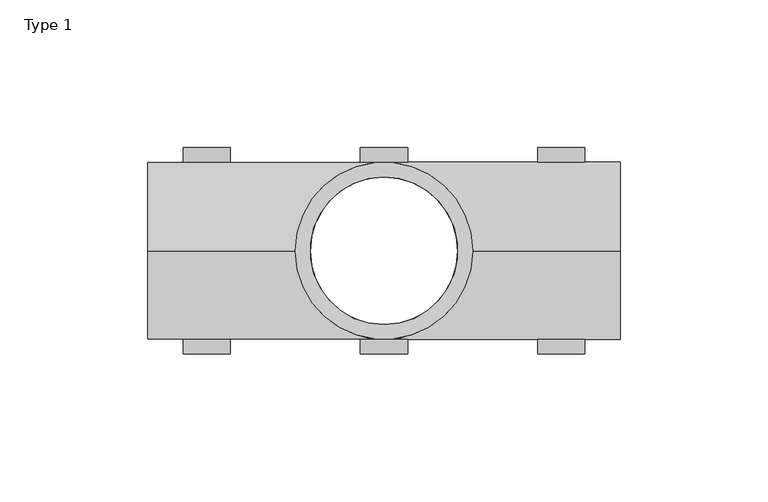
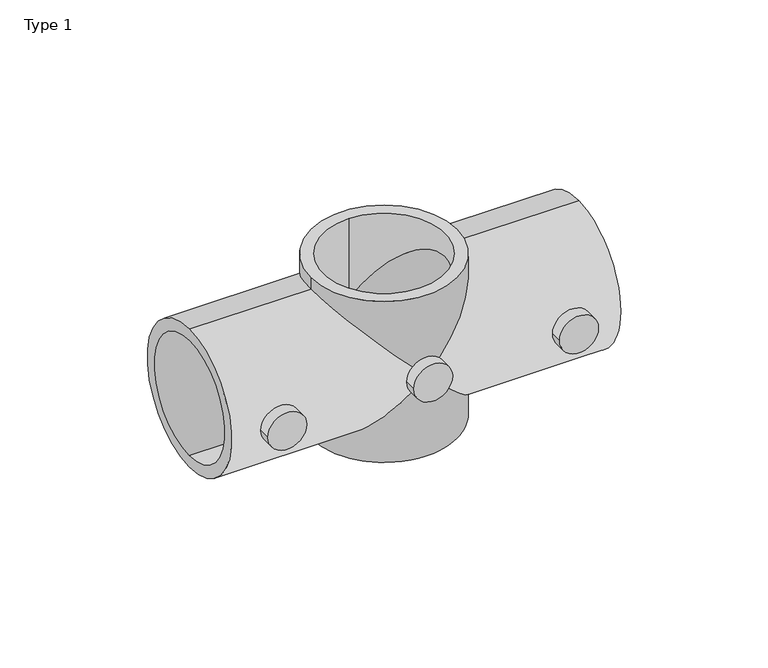
"""IFC4 building model written with IfcOpenShell, lengths in millimetres: proxy geometry, Type 1."""

import ifcopenshell
import ifcopenshell.guid

model = None  # the IFC model being written
_history = None  # IfcOwnerHistory: only IFC2X3 demands one
_inside = {}  # id of a spatial element -> (the spatial element, [elements in it])
_under = {}  # id of a project, library or spatial element -> (it, [spatial elements below it])
_declared = {}  # id of a project -> (the project, [libraries it declares])
_typed = {}  # id of a type object -> (the type object, [elements of that type])
_made_of = {}  # id of a material, layer set ... -> (it, [elements and type objects made of it])


def new_model(schema):
    """Start an empty IFC model of exactly this schema.

    Asked for "IFC4X3", IfcOpenShell would pick the latest addendum, in which some entities
    have other attributes; the version numbers below select the first issue.
    IFC2X3 requires an IfcOwnerHistory on every rooted entity: one is made here for all.
    """
    global model, _history
    if schema == "IFC4X3":
        model = ifcopenshell.file(schema_version=(4, 3, 0, 0))
    else:
        model = ifcopenshell.file(schema=schema)
    _inside.clear()
    _under.clear()
    _declared.clear()
    _typed.clear()
    _made_of.clear()
    _history = None
    if model.schema == "IFC2X3":
        org = make("IfcOrganization", Name="unknown")
        user = make(
            "IfcPersonAndOrganization",
            ThePerson=make("IfcPerson", FamilyName="unknown"),
            TheOrganization=org,
        )
        app = make(
            "IfcApplication",
            ApplicationDeveloper=org,
            Version="unknown",
            ApplicationFullName="unknown",
            ApplicationIdentifier="unknown",
        )
        _history = make(
            "IfcOwnerHistory",
            OwningUser=user,
            OwningApplication=app,
            ChangeAction="ADDED",
            CreationDate=0,
        )
    return model


def make(cls, **values):
    """One entity of the class cls with the attributes given. An attribute that is None is left unset."""
    return model.create_entity(
        cls, **{name: value for name, value in values.items() if value is not None}
    )


def rooted(cls, **values):
    """An entity with a GlobalId (a new one), such as an element, a storey or a relation."""
    return make(cls, GlobalId=ifcopenshell.guid.new(), OwnerHistory=_history, **values)


def si_unit(unit_type, name, prefix=None):
    """IfcSIUnit, for example si_unit("LENGTHUNIT", "METRE", prefix="MILLI")."""
    return make("IfcSIUnit", UnitType=unit_type, Prefix=prefix, Name=name)


def assignment(units):
    """IfcUnitAssignment: the units of a project."""
    return None if units is None else make("IfcUnitAssignment", Units=units)


def point(xyz):
    """IfcCartesianPoint."""
    return None if xyz is None else make("IfcCartesianPoint", Coordinates=xyz)


def direction(xyz):
    """IfcDirection."""
    return None if xyz is None else make("IfcDirection", DirectionRatios=xyz)


def frame(location, z_axis=None, x_axis=None):
    """IfcAxis2Placement3D, a coordinate frame: its origin and axes. An axis left out is left unset."""
    return make(
        "IfcAxis2Placement3D",
        Location=point(location),
        Axis=direction(z_axis),
        RefDirection=direction(x_axis),
    )


def frame_2d(location, x_axis=None):
    """IfcAxis2Placement2D, a coordinate frame in the plane: its origin and x axis."""
    return make(
        "IfcAxis2Placement2D", Location=point(location), RefDirection=direction(x_axis)
    )


def origin():
    """The frame at (0, 0, 0) with its axes left unset."""
    return frame((0.0, 0.0, 0.0))


def origin_with_axes():
    """The frame at (0, 0, 0) with the z axis (0, 0, 1) and the x axis (1, 0, 0) written out."""
    return frame((0.0, 0.0, 0.0), z_axis=(0.0, 0.0, 1.0), x_axis=(1.0, 0.0, 0.0))


def place(relative_to, where):
    """IfcLocalPlacement: puts the frame where relative to a parent placement (None: the world)."""
    return make(
        "IfcLocalPlacement", PlacementRelTo=relative_to, RelativePlacement=where
    )


def context(
    kind, dimensions, precision=None, world=None, true_north=None, identifier=None
):
    """IfcGeometricRepresentationContext, for example the 3D "Model" context."""
    return make(
        "IfcGeometricRepresentationContext",
        ContextIdentifier=identifier,
        ContextType=kind,
        CoordinateSpaceDimension=dimensions,
        Precision=precision,
        WorldCoordinateSystem=world,
        TrueNorth=true_north,
    )


def project(units=None, contexts=None):
    """IfcProject with its units and contexts."""
    return rooted(
        "IfcProject",
        Name="project",
        RepresentationContexts=contexts,
        UnitsInContext=assignment(units),
    )


def spatial(cls, under=None, at=None, **own):
    """A site, building, storey or space (cls), placed at a placement, below another one or the project."""
    s = rooted(cls, ObjectPlacement=at, **own)
    if under is not None:
        _under.setdefault(under.id(), (under, []))[1].append(s)
    return s


def polyline(points):
    """IfcPolyline through the points."""
    return make("IfcPolyline", Points=[point(p) for p in points])


def circle_curve(where, radius):
    """IfcCircle in the frame where."""
    return make("IfcCircle", Position=where, Radius=radius)


def ellipse_curve(where, semi_axis1, semi_axis2):
    """IfcEllipse in the frame where."""
    return make(
        "IfcEllipse", Position=where, SemiAxis1=semi_axis1, SemiAxis2=semi_axis2
    )


def trimmed(basis, trim1, trim2, sense, master):
    """IfcTrimmedCurve: the piece of a basis curve between two trims."""
    return make(
        "IfcTrimmedCurve",
        BasisCurve=basis,
        Trim1=trim1,
        Trim2=trim2,
        SenseAgreement=sense,
        MasterRepresentation=master,
    )


def segment(curve, same_sense, transition):
    """IfcCompositeCurveSegment."""
    return make(
        "IfcCompositeCurveSegment",
        Transition=transition,
        SameSense=same_sense,
        ParentCurve=curve,
    )


def composite_curve(segments, self_intersect=None):
    """IfcCompositeCurve: segments joined end to end."""
    return make("IfcCompositeCurve", Segments=segments, SelfIntersect=self_intersect)


def outline(outer, holes=None, kind="AREA"):
    """IfcArbitraryClosedProfileDef: a profile drawn as a closed curve; with holes, ...WithVoids."""
    if holes is None:
        return make("IfcArbitraryClosedProfileDef", ProfileType=kind, OuterCurve=outer)
    return make(
        "IfcArbitraryProfileDefWithVoids",
        ProfileType=kind,
        OuterCurve=outer,
        InnerCurves=holes,
    )


def extrude(swept, where, along, depth):
    """IfcExtrudedAreaSolid: the profile swept, set in the frame where, extruded along a direction by depth."""
    return make(
        "IfcExtrudedAreaSolid",
        SweptArea=swept,
        Position=where,
        ExtrudedDirection=direction(along),
        Depth=depth,
    )


def shape(context_of_items, identifier, shape_type, items):
    """IfcShapeRepresentation: the items that make up one representation, for example the "Body"."""
    return make(
        "IfcShapeRepresentation",
        ContextOfItems=context_of_items,
        RepresentationIdentifier=identifier,
        RepresentationType=shape_type,
        Items=items,
    )


def source(mapping_origin, context_of_items, identifier, shape_type, items):
    """IfcRepresentationMap: a shape defined once, which mapped items show again and again."""
    return make(
        "IfcRepresentationMap",
        MappingOrigin=mapping_origin,
        MappedRepresentation=shape(context_of_items, identifier, shape_type, items),
    )


def transform(
    local_origin,
    x_axis=None,
    y_axis=None,
    z_axis=None,
    scale=None,
    scale2=None,
    scale3=None,
    uniform=True,
):
    """IfcCartesianTransformationOperator3D, or its non-uniform kind. x_axis, y_axis, z_axis: its Axis1, 2, 3."""
    if uniform:
        return make(
            "IfcCartesianTransformationOperator3D",
            Axis1=direction(x_axis),
            Axis2=direction(y_axis),
            LocalOrigin=point(local_origin),
            Scale=scale,
            Axis3=direction(z_axis),
        )
    return make(
        "IfcCartesianTransformationOperator3DnonUniform",
        Axis1=direction(x_axis),
        Axis2=direction(y_axis),
        LocalOrigin=point(local_origin),
        Scale=scale,
        Axis3=direction(z_axis),
        Scale2=scale2,
        Scale3=scale3,
    )


def mapped(mapping_source, mapping_target):
    """IfcMappedItem: shows the shape of a source again, moved by a transform."""
    return make(
        "IfcMappedItem", MappingSource=mapping_source, MappingTarget=mapping_target
    )


def made_of(thing, what):
    """Note that an element or type object is made of a material, layer set ...; save() writes the relation."""
    if what is not None:
        _made_of.setdefault(what.id(), (what, []))[1].append(thing)
    return thing


def element(
    cls,
    number,
    at=None,
    inside=None,
    cuts=None,
    type_object=None,
    material=None,
    context=None,
    identifier="Body",
    shape_type=None,
    held_by="IfcProductDefinitionShape",
    body=None,
    shapes=None,
    **own,
):
    """One element of the class cls, such as IfcWall. Its Tag is "e" and its number.

    at: its placement. inside: the storey or other place that contains it. cuts: it is an
    opening in that element (IfcRelVoidsElement). A single representation is given by context,
    identifier, shape_type and body (its items); several are given by shapes. held_by: the class
    of the entity that holds the representations. save() writes the other relations.
    """
    e = rooted(cls, Tag="e%d" % number, ObjectPlacement=at, **own)
    if body is not None:
        shapes = [shape(context, identifier, shape_type, body)]
    if shapes is not None:
        e.Representation = make(held_by, Representations=shapes)
    if inside is not None:
        _inside.setdefault(inside.id(), (inside, []))[1].append(e)
    if cuts is not None:
        rooted(
            "IfcRelVoidsElement", RelatingBuildingElement=cuts, RelatedOpeningElement=e
        )
    if type_object is not None:
        _typed.setdefault(type_object.id(), (type_object, []))[1].append(e)
    return made_of(e, material)


def aggregate(whole, parts):
    """IfcRelAggregates: a whole, such as a stair, and the parts it consists of."""
    return rooted("IfcRelAggregates", RelatingObject=whole, RelatedObjects=parts)


def save(model, path):
    """Write the relations noted so far, then the file.

    IfcRelAggregates (storeys below a building ...), IfcRelContainedInSpatialStructure (elements
    in a storey), IfcRelDefinesByType, IfcRelAssociatesMaterial and IfcRelDeclares: one each for
    every whole, place, type object, material and project.
    """
    for whole, parts in _under.values():
        aggregate(whole, parts)
    for where, things in _inside.values():
        rooted(
            "IfcRelContainedInSpatialStructure",
            RelatedElements=things,
            RelatingStructure=where,
        )
    for kind, things in _typed.values():
        rooted("IfcRelDefinesByType", RelatedObjects=things, RelatingType=kind)
    for what, things in _made_of.values():
        rooted("IfcRelAssociatesMaterial", RelatedObjects=things, RelatingMaterial=what)
    for by, libraries in _declared.values():
        rooted("IfcRelDeclares", RelatingContext=by, RelatedDefinitions=libraries)
    model.write(path)


def plane_surface(at):
    """IfcPlane: the flat surface through the origin of the frame at, square to its z axis."""
    return make("IfcPlane", Position=at)


def cylinder_surface(at, radius):
    """IfcCylindricalSurface: all points at the distance radius from the z axis of the frame at."""
    return make("IfcCylindricalSurface", Position=at, Radius=radius)


def revolved_surface(curve, axis_point, axis_direction):
    """IfcSurfaceOfRevolution: the curve turned about the line through axis_point along axis_direction."""
    return make(
        "IfcSurfaceOfRevolution",
        SweptCurve=make("IfcArbitraryOpenProfileDef", ProfileType="CURVE", Curve=curve),
        AxisPosition=make("IfcAxis1Placement", Location=point(axis_point), Axis=direction(axis_direction)),
    )


def advanced_brep(points, edges, surfaces, faces):
    """IfcAdvancedBrep: a solid bounded by faces that lie on surfaces and meet in shared edges.

    An edge is (start, end): straight between two places in points (the first is 0);
    or (start, end, curve); or (start, end, curve, False) where it runs against its curve.
    A face is (place in surfaces, loops), or (place, loops, False) where it looks against
    its surface's normal. A loop lists edges by number (the first is 1), with a minus sign
    where the edge is run from its end to its start. The first loop is the outer one.
    """
    corners = [point(p) for p in points]
    vertices = [make("IfcVertexPoint", VertexGeometry=c) for c in corners]
    made = []
    for start, end, *more in edges:
        made.append(
            make(
                "IfcEdgeCurve",
                EdgeStart=vertices[start],
                EdgeEnd=vertices[end],
                EdgeGeometry=more[0] if more else make("IfcPolyline", Points=[corners[start], corners[end]]),
                SameSense=more[1] if len(more) > 1 else True,
            )
        )
    hull = []
    for where, loops, *sense in faces:
        bounds = []
        for j, loop in enumerate(loops):
            ring = [make("IfcOrientedEdge", EdgeElement=made[abs(k) - 1], Orientation=k > 0) for k in loop]
            bounds.append(
                make(
                    "IfcFaceOuterBound" if j == 0 else "IfcFaceBound",
                    Bound=make("IfcEdgeLoop", EdgeList=ring),
                    Orientation=True,
                )
            )
        hull.append(make("IfcAdvancedFace", Bounds=bounds, FaceSurface=surfaces[where], SameSense=sense[0] if sense else True))
    return make("IfcAdvancedBrep", Outer=make("IfcClosedShell", CfsFaces=hull))


def type_1_41d94430(model_context):
    return source(origin(), model_context, "Body", "SolidModel", [
        extrude(outline(composite_curve([segment(trimmed(circle_curve(frame_2d((35.0, 0.0)), 8.0), [point((35.0, -8.0))], [point((35.0, 8.0))], False, "CARTESIAN"), True, "CONTINUOUS"), segment(trimmed(circle_curve(frame_2d((35.0, 0.0)), 8.0), [point((35.0, 8.0))], [point((35.0, -8.0))], False, "CARTESIAN"), True, "CONTINUOUS")], self_intersect=False)), frame((0.0, 30.0, 0.0), z_axis=(0.0, 1.0, 0.0), x_axis=(0.0, 0.0, 1.0)), (0.0, 0.0, 1.0), 5.0),
        extrude(outline(composite_curve([segment(trimmed(circle_curve(frame_2d((35.0, 60.0)), 8.0), [point((35.0, 52.0))], [point((35.0, 68.0))], False, "CARTESIAN"), True, "CONTINUOUS"), segment(trimmed(circle_curve(frame_2d((35.0, 60.0)), 8.0), [point((35.0, 68.0))], [point((35.0, 52.0))], False, "CARTESIAN"), True, "CONTINUOUS")], self_intersect=False)), frame((0.0, 30.0, 0.0), z_axis=(0.0, 1.0, 0.0), x_axis=(0.0, 0.0, 1.0)), (0.0, 0.0, 1.0), 5.0),
        extrude(outline(composite_curve([segment(trimmed(circle_curve(frame_2d((35.0, -60.0)), 8.0), [point((35.0, -68.0))], [point((35.0, -52.0))], False, "CARTESIAN"), True, "CONTINUOUS"), segment(trimmed(circle_curve(frame_2d((35.0, -60.0)), 8.0), [point((35.0, -52.0))], [point((35.0, -68.0))], False, "CARTESIAN"), True, "CONTINUOUS")], self_intersect=False)), frame((0.0, 30.0, 0.0), z_axis=(0.0, 1.0, 0.0), x_axis=(0.0, 0.0, 1.0)), (0.0, 0.0, 1.0), 5.0),
        extrude(outline(composite_curve([segment(trimmed(circle_curve(frame_2d((35.0, -60.0)), 8.0), [point((35.0, -68.0))], [point((35.0, -52.0))], False, "CARTESIAN"), True, "CONTINUOUS"), segment(trimmed(circle_curve(frame_2d((35.0, -60.0)), 8.0), [point((35.0, -52.0))], [point((35.0, -68.0))], False, "CARTESIAN"), True, "CONTINUOUS")], self_intersect=False)), frame((0.0, -35.0, 0.0), z_axis=(0.0, 1.0, 0.0), x_axis=(0.0, 0.0, 1.0)), (0.0, 0.0, 1.0), 5.0),
        extrude(outline(composite_curve([segment(trimmed(circle_curve(frame_2d((35.0, 0.0)), 8.0), [point((35.0, -8.0))], [point((35.0, 8.0))], False, "CARTESIAN"), True, "CONTINUOUS"), segment(trimmed(circle_curve(frame_2d((35.0, 0.0)), 8.0), [point((35.0, 8.0))], [point((35.0, -8.0))], False, "CARTESIAN"), True, "CONTINUOUS")], self_intersect=False)), frame((0.0, -35.0, 0.0), z_axis=(0.0, 1.0, 0.0), x_axis=(0.0, 0.0, 1.0)), (0.0, 0.0, 1.0), 5.0),
        extrude(outline(composite_curve([segment(trimmed(circle_curve(frame_2d((35.0, 60.0)), 8.0), [point((35.0, 52.0))], [point((35.0, 68.0))], False, "CARTESIAN"), True, "CONTINUOUS"), segment(trimmed(circle_curve(frame_2d((35.0, 60.0)), 8.0), [point((35.0, 68.0))], [point((35.0, 52.0))], False, "CARTESIAN"), True, "CONTINUOUS")], self_intersect=False)), frame((0.0, -35.0, 0.0), z_axis=(0.0, 1.0, 0.0), x_axis=(0.0, 0.0, 1.0)), (0.0, 0.0, 1.0), 5.0),
        advanced_brep(
        [(-30.0, 0.0, 70.0), (30.0, 0.0, 70.0), (0.0, -25.0, 70.0), (0.0, 25.0, 70.0), (-30.0, 0.0, 0.0), (30.0, 0.0, 0.0), (0.0, 25.0, 0.0), (0.0, -25.0, 0.0), (-30.0, 0.0, 65.0), (0.0, -30.0, 35.0), (30.0, 0.0, 65.0), (30.0, 0.0, 5.0), (-30.0, 0.0, 5.0), (0.0, 30.0, 35.0), (80.0, 0.0, 5.0), (80.0, 0.0, 65.0), (80.0, 0.0, 60.0), (80.0, 0.0, 10.0), (-80.0, 0.0, 5.0), (-80.0, 0.0, 65.0), (-80.0, 0.0, 10.0), (-80.0, 0.0, 60.0), (25.0, 0.0, 60.0), (0.0, 25.0, 35.0), (25.0, 0.0, 10.0), (-25.0, 0.0, 10.0), (-25.0, 0.0, 60.0), (0.0, -25.0, 35.0)],
        [
            (0, 1, circle_curve(frame((0.0, 0.0, 70.0), z_axis=(0.0, 0.0, 1.0), x_axis=(1.0, 0.0, 0.0)), 30.0)),
            (1, 0, circle_curve(frame((0.0, 0.0, 70.0), z_axis=(0.0, 0.0, 1.0), x_axis=(1.0, 0.0, 0.0)), 30.0)),
            (2, 3, circle_curve(frame((0.0, 0.0, 70.0), z_axis=(0.0, 0.0, -1.0), x_axis=(0.0, 1.0, 0.0)), 25.0)),
            (3, 2, circle_curve(frame((0.0, 0.0, 70.0), z_axis=(0.0, 0.0, -1.0), x_axis=(0.0, 1.0, 0.0)), 25.0)),
            (4, 5, circle_curve(frame((0.0, 0.0, 0.0), z_axis=(0.0, 0.0, -1.0), x_axis=(1.0, 0.0, 0.0)), 30.0)),
            (5, 4, circle_curve(frame((0.0, 0.0, 0.0), z_axis=(0.0, 0.0, -1.0), x_axis=(1.0, 0.0, 0.0)), 30.0)),
            (6, 7, circle_curve(frame((0.0, 0.0, 0.0), z_axis=(0.0, 0.0, 1.0), x_axis=(0.0, 1.0, 0.0)), 25.0)),
            (7, 6, circle_curve(frame((0.0, 0.0, 0.0), z_axis=(0.0, 0.0, 1.0), x_axis=(0.0, 1.0, 0.0)), 25.0)),
            (0, 8),
            (8, 9, ellipse_curve(frame((0.0, 0.0, 35.0), z_axis=(0.707106781186548, 0.0, 0.7071067811865469), x_axis=(-0.7071067811865468, 0.0, 0.7071067811865481)), 42.4264069, 30.0)),
            (9, 10, ellipse_curve(frame((0.0, 0.0, 35.0), z_axis=(-0.707106781186547, 0.0, 0.707106781186548), x_axis=(0.707106781186548, 0.0, 0.7071067811865469)), 42.4264069, 30.0)),
            (10, 1),
            (5, 11),
            (11, 9, ellipse_curve(frame((0.0, 0.0, 35.0), z_axis=(-0.707106781186548, 0.0, -0.7071067811865469), x_axis=(-0.7071067811865468, 0.0, 0.7071067811865481)), 42.4264069, 30.0)),
            (9, 12, ellipse_curve(frame((0.0, 0.0, 35.0), z_axis=(0.707106781186547, 0.0, -0.707106781186548), x_axis=(0.707106781186548, 0.0, 0.7071067811865469)), 42.4264069, 30.0)),
            (12, 4),
            (10, 13, ellipse_curve(frame((0.0, 0.0, 35.0), z_axis=(-0.707106781186547, 0.0, 0.707106781186548), x_axis=(0.707106781186548, 0.0, 0.7071067811865469)), 42.4264069, 30.0)),
            (13, 8, ellipse_curve(frame((0.0, 0.0, 35.0), z_axis=(0.707106781186548, 0.0, 0.7071067811865469), x_axis=(-0.7071067811865468, 0.0, 0.7071067811865481)), 42.4264069, 30.0)),
            (12, 13, ellipse_curve(frame((0.0, 0.0, 35.0), z_axis=(0.707106781186547, 0.0, -0.707106781186548), x_axis=(0.707106781186548, 0.0, 0.7071067811865469)), 42.4264069, 30.0)),
            (13, 11, ellipse_curve(frame((0.0, 0.0, 35.0), z_axis=(-0.707106781186548, 0.0, -0.7071067811865469), x_axis=(-0.7071067811865468, 0.0, 0.7071067811865481)), 42.4264069, 30.0)),
            (14, 15, circle_curve(frame((80.0, 0.0, 35.0), z_axis=(1.0, 0.0, 0.0), x_axis=(0.0, 0.0, 1.0)), 30.0)),
            (15, 14, circle_curve(frame((80.0, 0.0, 35.0), z_axis=(1.0, 0.0, 0.0), x_axis=(0.0, 0.0, 1.0)), 30.0)),
            (16, 17, circle_curve(frame((80.0, 0.0, 35.0), z_axis=(-1.0, 0.0, 0.0), x_axis=(0.0, 0.0, -1.0)), 25.0)),
            (17, 16, circle_curve(frame((80.0, 0.0, 35.0), z_axis=(-1.0, 0.0, 0.0), x_axis=(0.0, 0.0, -1.0)), 25.0)),
            (18, 19, circle_curve(frame((-80.0, 0.0, 35.0), z_axis=(-1.0, 0.0, 0.0), x_axis=(0.0, 0.0, 1.0)), 30.0)),
            (19, 18, circle_curve(frame((-80.0, 0.0, 35.0), z_axis=(-1.0, 0.0, 0.0), x_axis=(0.0, 0.0, 1.0)), 30.0)),
            (20, 21, circle_curve(frame((-80.0, 0.0, 35.0), z_axis=(1.0, 0.0, 0.0), x_axis=(0.0, 0.0, -1.0)), 25.0)),
            (21, 20, circle_curve(frame((-80.0, 0.0, 35.0), z_axis=(1.0, 0.0, 0.0), x_axis=(0.0, 0.0, -1.0)), 25.0)),
            (14, 11),
            (10, 15),
            (19, 8),
            (12, 18),
            (16, 22),
            (22, 23, ellipse_curve(frame((0.0, 0.0, 35.0), z_axis=(-0.707106781186547, 0.0, 0.707106781186548), x_axis=(-0.707106781186548, 0.0, -0.7071067811865469)), 35.3553391, 25.0)),
            (23, 24, ellipse_curve(frame((0.0, 0.0, 35.0), z_axis=(-0.707106781186548, 0.0, -0.7071067811865469), x_axis=(-0.707106781186547, 0.0, 0.707106781186548)), 35.3553391, 25.0)),
            (24, 17),
            (20, 25),
            (25, 23, ellipse_curve(frame((0.0, 0.0, 35.0), z_axis=(0.707106781186547, 0.0, -0.707106781186548), x_axis=(-0.707106781186548, 0.0, -0.7071067811865469)), 35.3553391, 25.0)),
            (23, 26, ellipse_curve(frame((0.0, 0.0, 35.0), z_axis=(0.707106781186548, 0.0, 0.7071067811865469), x_axis=(-0.707106781186547, 0.0, 0.707106781186548)), 35.3553391, 25.0)),
            (26, 21),
            (24, 27, ellipse_curve(frame((0.0, 0.0, 35.0), z_axis=(-0.707106781186548, 0.0, -0.7071067811865469), x_axis=(-0.707106781186547, 0.0, 0.707106781186548)), 35.3553391, 25.0)),
            (27, 22, ellipse_curve(frame((0.0, 0.0, 35.0), z_axis=(-0.707106781186547, 0.0, 0.707106781186548), x_axis=(-0.707106781186548, 0.0, -0.7071067811865469)), 35.3553391, 25.0)),
            (26, 27, ellipse_curve(frame((0.0, 0.0, 35.0), z_axis=(0.707106781186548, 0.0, 0.7071067811865469), x_axis=(-0.707106781186547, 0.0, 0.707106781186548)), 35.3553391, 25.0)),
            (27, 25, ellipse_curve(frame((0.0, 0.0, 35.0), z_axis=(0.707106781186547, 0.0, -0.707106781186548), x_axis=(-0.707106781186548, 0.0, -0.7071067811865469)), 35.3553391, 25.0)),
            (2, 27),
            (23, 3),
            (27, 7),
            (6, 23),
        ],
        [
            plane_surface(frame((30.0, 0.0, 70.0), z_axis=(0.0, 0.0, 1.0), x_axis=(0.0, 1.0, 0.0))),
            plane_surface(frame((30.0, 0.0, 0.0), z_axis=(0.0, 0.0, -1.0), x_axis=(0.0, -1.0, 0.0))),
            cylinder_surface(origin_with_axes(), 30.0),
            plane_surface(frame((80.0, 0.0, 65.0), z_axis=(1.0, 0.0, 0.0), x_axis=(0.0, -1.0, 0.0))),
            plane_surface(frame((-80.0, 0.0, 65.0), z_axis=(-1.0, 0.0, 0.0), x_axis=(0.0, 1.0, 0.0))),
            cylinder_surface(frame((-80.0, 0.0, 35.0), z_axis=(1.0, 0.0, 0.0), x_axis=(0.0, 0.0, 1.0)), 30.0),
            revolved_surface(polyline([(-25.0000000287599, 0.0, 10.0), (80.0, 0.0, 10.0)]), (80.0, 0.0, 35.0), (-1.0, 0.0, 0.0)),
            revolved_surface(polyline([(-80.0, 0.0, 10.0), (25.000000028759906, 0.0, 10.0)]), (80.0, 0.0, 35.0), (-1.0, 0.0, 0.0)),
            revolved_surface(polyline([(0.0, 25.0, 9.999999971240094), (0.0, 25.0, 70.0)]), (0.0, 0.0, 70.0), (0.0, 0.0, -1.0)),
            revolved_surface(polyline([(0.0, 25.0, 0.0), (0.0, 25.0, 60.00000002875987)]), (0.0, 0.0, 70.0), (0.0, 0.0, -1.0)),
            revolved_surface(polyline([(0.0, 25.0, 9.999999971240129), (0.0, 25.0, 70.0)]), (0.0, 0.0, 70.0), (0.0, 0.0, -1.0)),
            revolved_surface(polyline([(0.0, 25.0, 0.0), (0.0, 25.0, 60.00000002875991)]), (0.0, 0.0, 70.0), (0.0, 0.0, -1.0)),
        ],
        [
            (0, [[1, 2], [3, 4]]),
            (1, [[5, 6], [7, 8]]),
            (2, [[-1, 9, 10, 11, 12]]),
            (2, [[-6, 13, 14, 15, 16]]),
            (2, [[-2, -12, 17, 18, -9]]),
            (2, [[-5, -16, 19, 20, -13]]),
            (3, [[21, 22], [23, 24]]),
            (4, [[25, 26], [27, 28]]),
            (5, [[-21, 29, -20, -17, 30]]),
            (5, [[-26, 31, -18, -19, 32]]),
            (5, [[-22, -30, -11, -14, -29]]),
            (5, [[-25, -32, -15, -10, -31]]),
            (6, [[-23, 33, 34, 35, 36]]),
            (7, [[-27, 37, 38, 39, 40]]),
            (6, [[-24, -36, 41, 42, -33]]),
            (7, [[-28, -40, 43, 44, -37]]),
            (8, [[45, -43, -39, 46, -3]]),
            (9, [[47, -7, 48, -38, -44]]),
            (10, [[-45, -4, -46, -34, -42]]),
            (11, [[-47, -41, -35, -48, -8]]),
        ],
    ),
    ])


if __name__ == "__main__":
    model = new_model("IFC4")
    model_context = context("Model", 3, world=origin())
    ifc_project = project(units=[si_unit("LENGTHUNIT", "METRE", prefix="MILLI")], contexts=[model_context])
    site = spatial("IfcSite", under=ifc_project)
    building = spatial("IfcBuilding", under=site)
    placement = place(None, origin())
    type_1_shape = type_1_41d94430(model_context)
    element("IfcBuildingElementProxy", 1, Name="Type 1", ObjectType="Type 1", at=placement, inside=building, context=model_context, shape_type="MappedRepresentation", body=[
        mapped(type_1_shape, transform((0.0, 0.0, 0.0), x_axis=(1.0, 0.0, 0.0), y_axis=(0.0, 1.0, 0.0), z_axis=(0.0, 0.0, 1.0))),
    ])
    save(model, "model.ifc")
